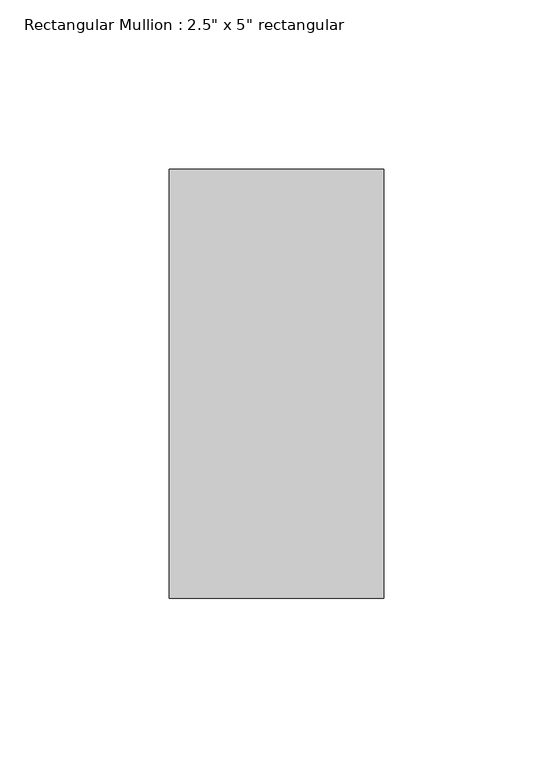
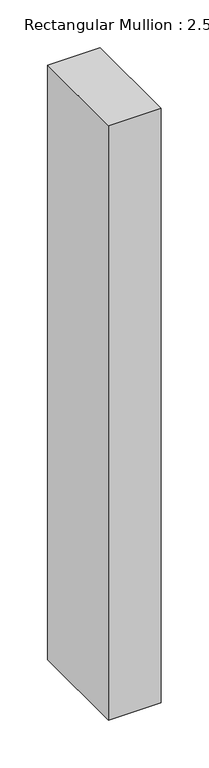
"""IFC4 building model written with IfcOpenShell, lengths in millimetres: member geometry."""

from ifc_helpers import new_model, si_unit, frame, origin, place, context, project, spatial, polyline, outline, extrude, source, transform, mapped, element, save


def member_b4f6a5f6(model_context):
    return source(origin(), model_context, "Body", "SweptSolid", [
        extrude(outline(polyline([(0.0, 63.5), (0.0, -63.5), (-63.5, -63.5), (-63.5, 63.5), (0.0, 63.5)])), frame((0.0, 0.0, -758.25), z_axis=(0.0, 0.0, 1.0), x_axis=(1.0, 0.0, 0.0)), (0.0, 0.0, 1.0), 758.25),
    ])


if __name__ == "__main__":
    model = new_model("IFC4")
    model_context = context("Model", 3, world=origin())
    ifc_project = project(units=[si_unit("LENGTHUNIT", "METRE", prefix="MILLI")], contexts=[model_context])
    site = spatial("IfcSite", under=ifc_project)
    building = spatial("IfcBuilding", under=site)
    placement = place(None, origin())
    member_shape = member_b4f6a5f6(model_context)
    element("IfcMember", 1, ObjectType="Rectangular Mullion : 2.5\" x 5\" rectangular", at=placement, inside=building, context=model_context, shape_type="MappedRepresentation", body=[
        mapped(member_shape, transform((0.0, 0.0, 0.0), x_axis=(1.0, 0.0, 0.0), y_axis=(0.0, 1.0, 0.0), z_axis=(0.0, 0.0, 1.0))),
    ])
    save(model, "model.ifc")
